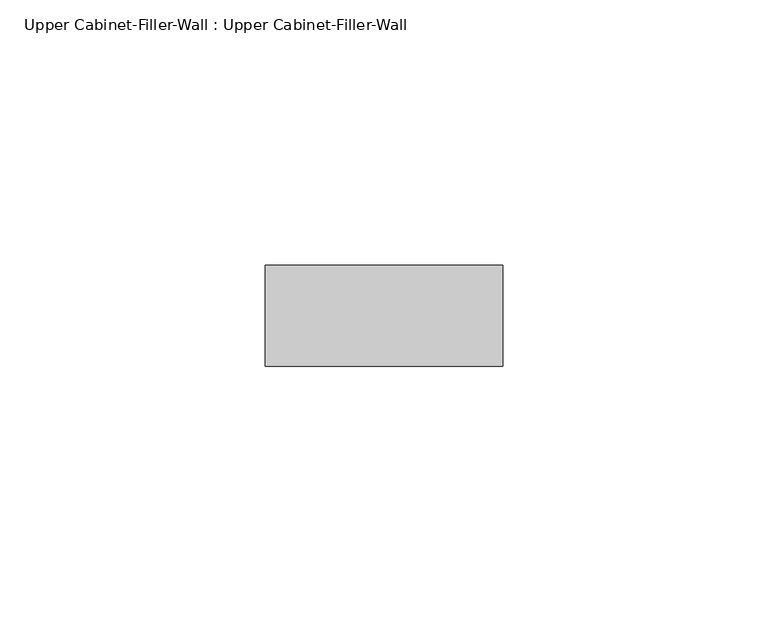
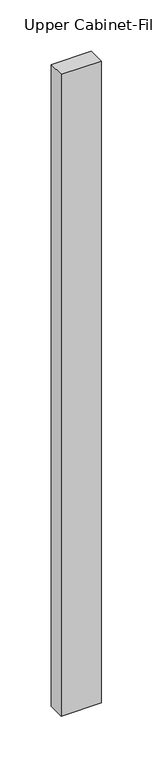
"""IFC4 building model written with IfcOpenShell, lengths in millimetres: furniture geometry, Upper Cabinet-Filler-Wall : Upper Cabinet-Filler-Wall."""

from ifc_helpers import new_model, si_unit, frame, origin, place, context, project, spatial, polyline, outline, extrude, source, transform, mapped, element, save


def upper_cabinet_filler_wall_upper_cabinet_filler_wall_8f61f6bc(model_context):
    return source(origin(), model_context, "Body", "SweptSolid", [
        extrude(outline(polyline([(7.3326322, 339.725), (7.3326322, 358.775), (52.2096934, 358.775), (52.2096934, 339.725), (7.3326322, 339.725)])), frame((0.0, 0.0, 1371.6), z_axis=(0.0, 0.0, 1.0), x_axis=(1.0, 0.0, 0.0)), (0.0, 0.0, 1.0), 762.0),
    ])


if __name__ == "__main__":
    model = new_model("IFC4")
    model_context = context("Model", 3, world=origin())
    ifc_project = project(units=[si_unit("LENGTHUNIT", "METRE", prefix="MILLI")], contexts=[model_context])
    site = spatial("IfcSite", under=ifc_project)
    building = spatial("IfcBuilding", under=site)
    placement = place(None, origin())
    upper_cabinet_filler_wall_upper_cabinet_filler_wall_shape = upper_cabinet_filler_wall_upper_cabinet_filler_wall_8f61f6bc(model_context)
    element("IfcFurniture", 1, ObjectType="Upper Cabinet-Filler-Wall : Upper Cabinet-Filler-Wall", at=placement, inside=building, context=model_context, shape_type="MappedRepresentation", body=[
        mapped(upper_cabinet_filler_wall_upper_cabinet_filler_wall_shape, transform((0.0, 0.0, 0.0), x_axis=(1.0, 0.0, 0.0), y_axis=(0.0, 1.0, 0.0), z_axis=(0.0, 0.0, 1.0))),
    ])
    save(model, "model.ifc")
